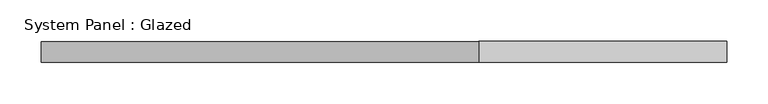
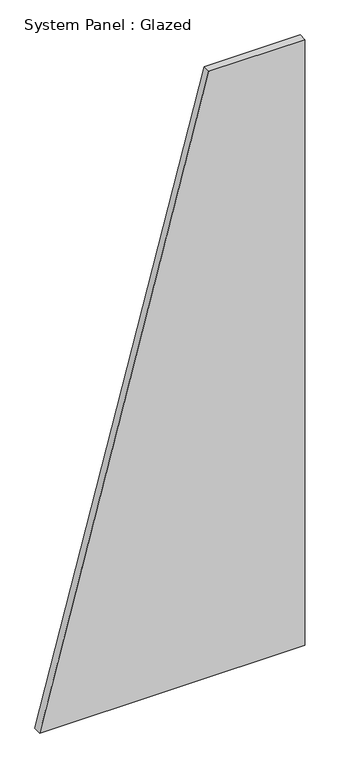
"""IFC4 building model written with IfcOpenShell, lengths in millimetres: plate geometry, System Panel : Glazed."""

from ifc_helpers import new_model, si_unit, frame, origin, place, context, project, spatial, polyline, outline, extrude, source, transform, mapped, element, save


def system_panel_glazed_eeae640c(model_context):
    return source(origin(), model_context, "Body", "SweptSolid", [
        extrude(outline(polyline([(0.0, -414.2857144), (0.0, 414.2857144), (2000.0, 414.2857144), (2000.0, 114.2857141), (0.0, -414.2857144)])), frame((0.0, 24.5, 0.0), z_axis=(0.0, 1.0, 0.0), x_axis=(0.0, 0.0, 1.0)), (0.0, 0.0, 1.0), 25.0),
    ])


if __name__ == "__main__":
    model = new_model("IFC4")
    model_context = context("Model", 3, world=origin())
    ifc_project = project(units=[si_unit("LENGTHUNIT", "METRE", prefix="MILLI")], contexts=[model_context])
    site = spatial("IfcSite", under=ifc_project)
    building = spatial("IfcBuilding", under=site)
    placement = place(None, origin())
    system_panel_glazed_shape = system_panel_glazed_eeae640c(model_context)
    element("IfcPlate", 1, ObjectType="System Panel : Glazed", at=placement, inside=building, context=model_context, shape_type="MappedRepresentation", body=[
        mapped(system_panel_glazed_shape, transform((0.0, 0.0, 0.0), x_axis=(1.0, 0.0, 0.0), y_axis=(0.0, 1.0, 0.0), z_axis=(0.0, 0.0, 1.0))),
    ])
    save(model, "model.ifc")
